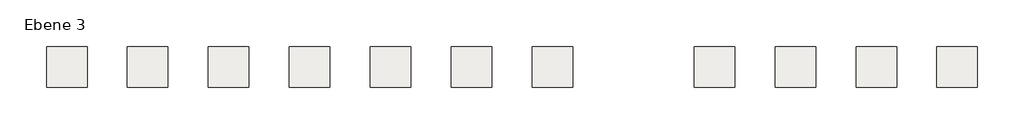
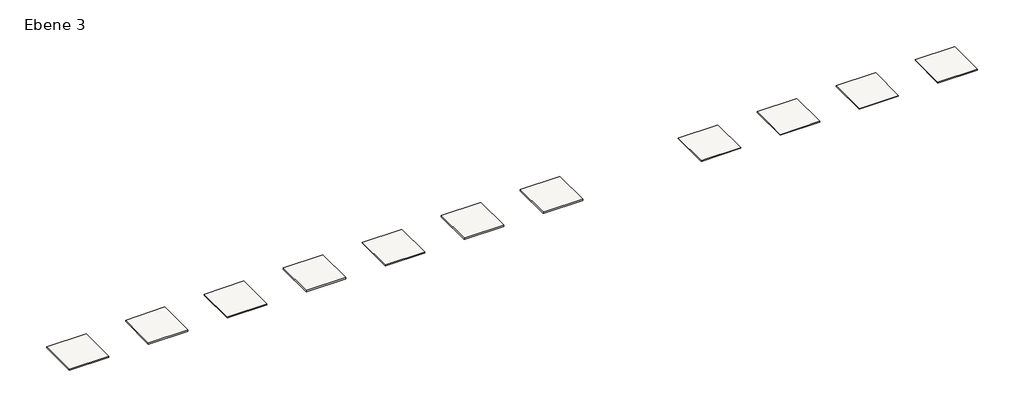
# One storey: 11 coverings.
"""IFC4 building model written with IfcOpenShell, lengths in millimetres."""

from ifc_helpers import new_model, si_unit, frame, origin, place, context, project, spatial, polyline, outline, extrude, element, save

model = new_model("IFC4")

# Units and contexts
model_context = context("Model", 3, world=origin())
ifc_project = project(units=[si_unit("LENGTHUNIT", "METRE", prefix="MILLI")], contexts=[model_context])

# Site, building, storey
site = spatial("IfcSite", under=ifc_project)
building = spatial("IfcBuilding", under=site)
storey = spatial("IfcBuildingStorey", under=building, Name="Ebene 3", Elevation=-3600.0)

# Coverings
placement = place(None, origin())
element("IfcCovering", 1, at=placement, inside=storey, context=model_context, shape_type="SweptSolid", body=[
    extrude(outline(polyline([(3800.0, -343.0665926), (1800.0, -343.0665926), (1800.0, 1656.9334074), (3800.0, 1656.9334074), (3800.0, -343.0665926)])), frame((0.0, 0.0, -3600.0), z_axis=(0.0, 0.0, 1.0), x_axis=(1.0, 0.0, 0.0)), (0.0, 0.0, 1.0), 74.0),
])
element("IfcCovering", 2, at=placement, inside=storey, context=model_context, shape_type="SweptSolid", body=[
    extrude(outline(polyline([(7800.0, -343.0665926), (5800.0, -343.0665926), (5800.0, 1656.9334074), (7800.0, 1656.9334074), (7800.0, -343.0665926)])), frame((0.0, 0.0, -3600.0), z_axis=(0.0, 0.0, 1.0), x_axis=(1.0, 0.0, 0.0)), (0.0, 0.0, 1.0), 66.5),
])
element("IfcCovering", 3, at=placement, inside=storey, context=model_context, shape_type="SweptSolid", body=[
    extrude(outline(polyline([(11800.0, -343.0665926), (9800.0, -343.0665926), (9800.0, 1656.9334074), (11800.0, 1656.9334074), (11800.0, -343.0665926)])), frame((0.0, 0.0, -3600.0), z_axis=(0.0, 0.0, 1.0), x_axis=(1.0, 0.0, 0.0)), (0.0, 0.0, 1.0), 72.0),
])
element("IfcCovering", 4, at=placement, inside=storey, context=model_context, shape_type="SweptSolid", body=[
    extrude(outline(polyline([(15800.0, -343.0665926), (13800.0, -343.0665926), (13800.0, 1656.9334074), (15800.0, 1656.9334074), (15800.0, -343.0665926)])), frame((0.0, 0.0, -3600.0), z_axis=(0.0, 0.0, 1.0), x_axis=(1.0, 0.0, 0.0)), (0.0, 0.0, 1.0), 44.0),
])
element("IfcCovering", 5, at=placement, inside=storey, context=model_context, shape_type="SweptSolid", body=[
    extrude(outline(polyline([(19800.0, -343.0665926), (17800.0, -343.0665926), (17800.0, 1656.9334074), (19800.0, 1656.9334074), (19800.0, -343.0665926)])), frame((0.0, 0.0, -3600.0), z_axis=(0.0, 0.0, 1.0), x_axis=(1.0, 0.0, 0.0)), (0.0, 0.0, 1.0), 94.0),
])
element("IfcCovering", 6, at=placement, inside=storey, context=model_context, shape_type="SweptSolid", body=[
    extrude(outline(polyline([(23800.0, -343.0665926), (21800.0, -343.0665926), (21800.0, 1656.9334074), (23800.0, 1656.9334074), (23800.0, -343.0665926)])), frame((0.0, 0.0, -3600.0), z_axis=(0.0, 0.0, 1.0), x_axis=(1.0, 0.0, 0.0)), (0.0, 0.0, 1.0), 86.5),
])
element("IfcCovering", 7, at=placement, inside=storey, context=model_context, shape_type="SweptSolid", body=[
    extrude(outline(polyline([(-200.0, -343.0665926), (-2200.0, -343.0665926), (-2200.0, 1656.9334074), (-200.0, 1656.9334074), (-200.0, -343.0665926)])), frame((0.0, 0.0, -3600.0), z_axis=(0.0, 0.0, 1.0), x_axis=(1.0, 0.0, 0.0)), (0.0, 0.0, 1.0), 47.0),
])
element("IfcCovering", 8, at=placement, inside=storey, context=model_context, shape_type="SweptSolid", body=[
    extrude(outline(polyline([(31800.0, -343.0665926), (29800.0, -343.0665926), (29800.0, 1656.9334074), (31800.0, 1656.9334074), (31800.0, -343.0665926)])), frame((0.0, 0.0, -3600.0), z_axis=(0.0, 0.0, 1.0), x_axis=(1.0, 0.0, 0.0)), (0.0, 0.0, 1.0), 39.0),
])
element("IfcCovering", 9, at=placement, inside=storey, context=model_context, shape_type="SweptSolid", body=[
    extrude(outline(polyline([(35800.0, -343.0665926), (33800.0, -343.0665926), (33800.0, 1656.9334074), (35800.0, 1656.9334074), (35800.0, -343.0665926)])), frame((0.0, 0.0, -3600.0), z_axis=(0.0, 0.0, 1.0), x_axis=(1.0, 0.0, 0.0)), (0.0, 0.0, 1.0), 47.0),
])
element("IfcCovering", 10, at=placement, inside=storey, context=model_context, shape_type="SweptSolid", body=[
    extrude(outline(polyline([(39800.0, -343.0665926), (37800.0, -343.0665926), (37800.0, 1656.9334074), (39800.0, 1656.9334074), (39800.0, -343.0665926)])), frame((0.0, 0.0, -3600.0), z_axis=(0.0, 0.0, 1.0), x_axis=(1.0, 0.0, 0.0)), (0.0, 0.0, 1.0), 35.0),
])
element("IfcCovering", 11, at=placement, inside=storey, context=model_context, shape_type="SweptSolid", body=[
    extrude(outline(polyline([(43800.0, -343.0665926), (41800.0, -343.0665926), (41800.0, 1656.9334074), (43800.0, 1656.9334074), (43800.0, -343.0665926)])), frame((0.0, 0.0, -3600.0), z_axis=(0.0, 0.0, 1.0), x_axis=(1.0, 0.0, 0.0)), (0.0, 0.0, 1.0), 44.0),
])

save(model, "model.ifc")
